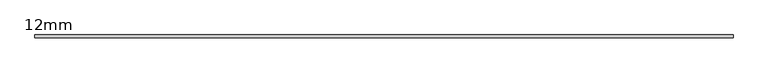
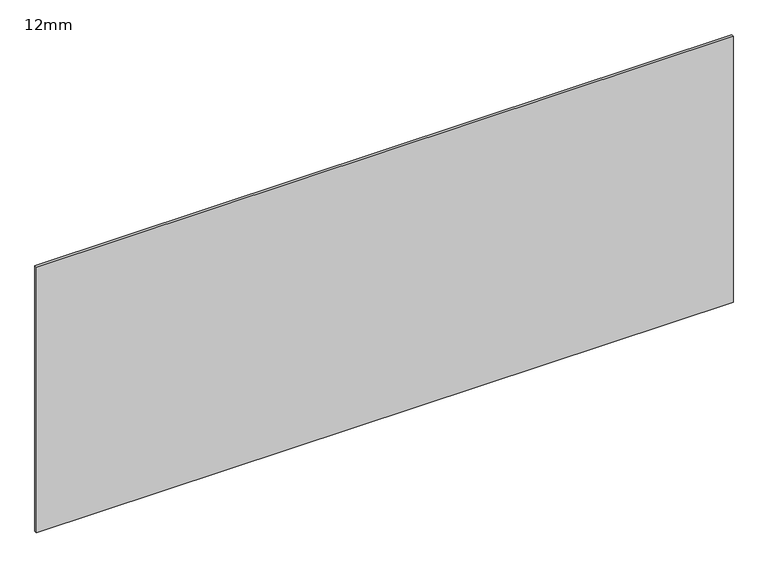
"""IFC4 building model written with IfcOpenShell, lengths in millimetres: plate geometry, 12mm."""

from ifc_helpers import new_model, si_unit, origin, origin_with_axes, place, context, project, spatial, polyline, outline, extrude, source, transform, mapped, element, save


def plate_12mm_6ed8cf3d(model_context):
    return source(origin(), model_context, "Body", "SweptSolid", [
        extrude(outline(polyline([(1550.0, 6.0), (1550.0, -6.0), (-1550.0, -6.0), (-1550.0, 6.0), (1550.0, 6.0)])), origin_with_axes(), (0.0, 0.0, 1.0), 1250.0),
    ])


if __name__ == "__main__":
    model = new_model("IFC4")
    model_context = context("Model", 3, world=origin())
    ifc_project = project(units=[si_unit("LENGTHUNIT", "METRE", prefix="MILLI")], contexts=[model_context])
    site = spatial("IfcSite", under=ifc_project)
    building = spatial("IfcBuilding", under=site)
    placement = place(None, origin())
    plate_12mm_shape = plate_12mm_6ed8cf3d(model_context)
    element("IfcPlate", 1, ObjectType="12mm", at=placement, inside=building, context=model_context, shape_type="MappedRepresentation", body=[
        mapped(plate_12mm_shape, transform((0.0, 0.0, 0.0), x_axis=(1.0, 0.0, 0.0), y_axis=(0.0, 1.0, 0.0), z_axis=(0.0, 0.0, 1.0))),
    ])
    save(model, "model.ifc")
